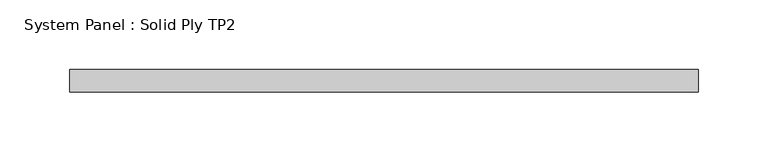
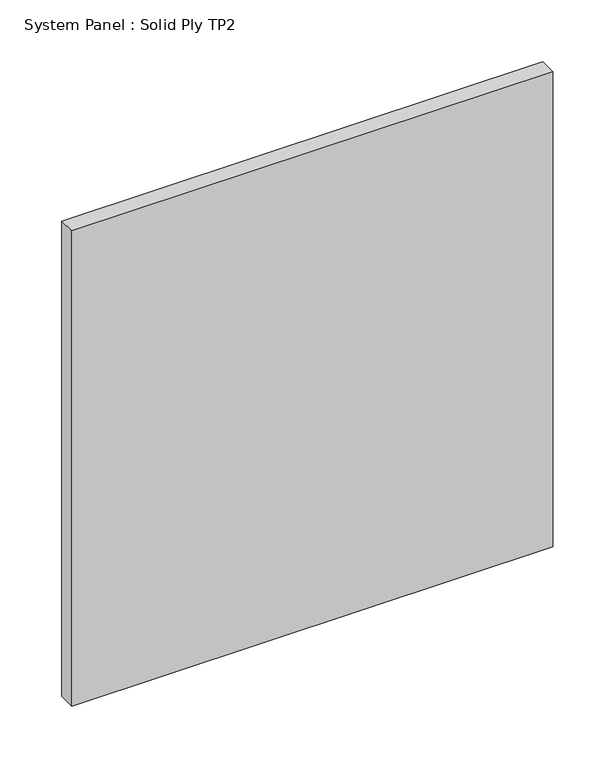
"""IFC4 building model written with IfcOpenShell, lengths in millimetres: plate geometry, System Panel : Solid Ply TP2."""

from ifc_helpers import new_model, si_unit, origin, origin_with_axes, place, context, project, spatial, polyline, outline, extrude, source, transform, mapped, element, save


def system_panel_solid_ply_tp2_ee3318a8(model_context):
    return source(origin(), model_context, "Body", "SweptSolid", [
        extrude(outline(polyline([(225.0015862, -23.0), (-225.0015862, -23.0), (-225.0015862, -7.0), (225.0015862, -7.0), (225.0015862, -23.0)])), origin_with_axes(), (0.0, 0.0, 1.0), 470.0),
    ])


if __name__ == "__main__":
    model = new_model("IFC4")
    model_context = context("Model", 3, world=origin())
    ifc_project = project(units=[si_unit("LENGTHUNIT", "METRE", prefix="MILLI")], contexts=[model_context])
    site = spatial("IfcSite", under=ifc_project)
    building = spatial("IfcBuilding", under=site)
    placement = place(None, origin())
    system_panel_solid_ply_tp2_shape = system_panel_solid_ply_tp2_ee3318a8(model_context)
    element("IfcPlate", 1, ObjectType="System Panel : Solid Ply TP2", at=placement, inside=building, context=model_context, shape_type="MappedRepresentation", body=[
        mapped(system_panel_solid_ply_tp2_shape, transform((0.0, 0.0, 0.0), x_axis=(1.0, 0.0, 0.0), y_axis=(0.0, 1.0, 0.0), z_axis=(0.0, 0.0, 1.0))),
    ])
    save(model, "model.ifc")
